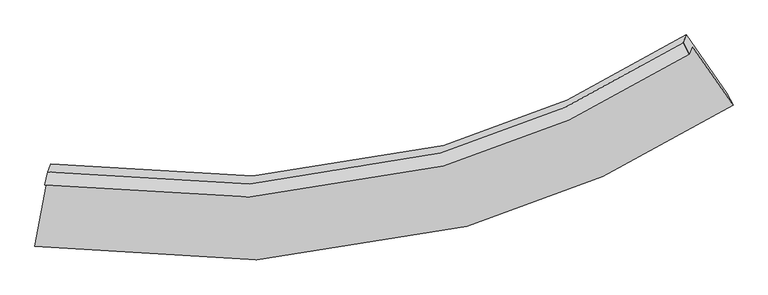
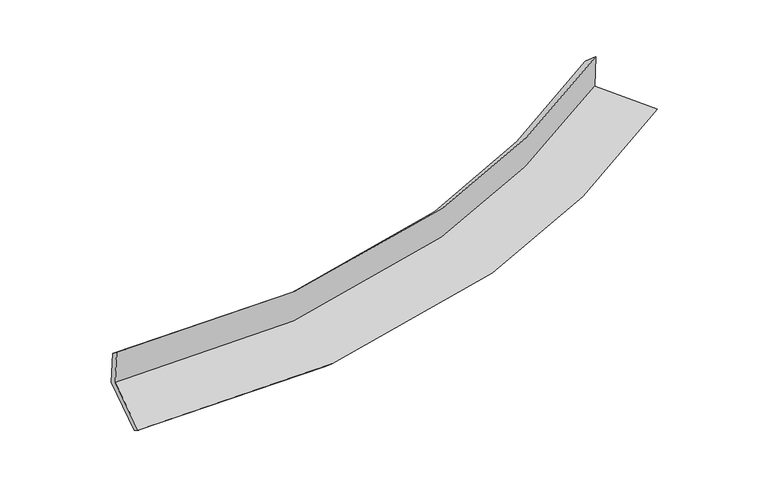
"""IFC4 building model written with IfcOpenShell, lengths in millimetres: proxy geometry."""

from ifc_helpers import new_model, si_unit, frame, origin, place, context, project, spatial, source, transform, mapped, element, save
from ifc_brep_helpers import plane_surface, spline_curve, spline_surface, advanced_brep


def generic_models_e694cbf3(model_context):
    return source(origin(), model_context, "Body", "AdvancedBrep", [
        advanced_brep(
        [(-3283.0325066, -2019.3674715, 2009.4532745), (-3255.5569939, -1946.0840957, 1608.6074235), (2706.9963767, -734.3291709, 2230.4804227), (2679.8558698, -806.7190107, 2626.4388048), (-3255.90302, -1895.9669715, 1912.2842714), (2624.8282462, -696.8861093, 2527.1173291), (-3229.5218231, -1825.6023822, 1527.4036164), (2651.1926397, -626.5663388, 2142.4818239), (-3349.905194, -2468.3638513, 1401.6412442), (3028.4122946, -1165.1630119, 2069.8706721), (-3375.577942, -2586.9104851, 1483.2236679), (3085.9017288, -1275.3326936, 2157.5447903)],
        [
            (0, 1),
            (1, 2, spline_curve(3, [(-3255.5569939, -1946.0840957, 1608.6074235), (-1959.624624609, -2154.191560967, 1669.790769414), (-731.587954884, -2095.765960624, 1767.878662066), (1219.600601758, -1549.232697861, 1994.916330331), (1979.081721775, -1203.739989809, 2104.119438015), (2706.9963767, -734.3291709, 2230.4804227)], [4, 2, 4], [0.0, 12.149283597557895, 20.433329845119278])),
            (2, 3),
            (3, 0, spline_curve(3, [(2679.8558698, -806.7190107, 2626.4388048), (1952.183374115, -1275.483937158, 2496.544912695), (1192.827882662, -1620.641564002, 2385.508977854), (-758.338230011, -2167.114965283, 2158.143876376), (-1986.612197781, -2226.173491739, 2063.517967592), (-3283.0325066, -2019.3674715, 2009.4532745)], [4, 2, 4], [0.0, 8.284046247561383, 20.433329845119278])),
            (4, 0),
            (3, 5),
            (5, 4, spline_curve(3, [(2624.8282462, -696.8861093, 2527.1173291), (1908.826610814, -1161.404441634, 2390.478234403), (1160.911623781, -1503.2937801, 2275.549655466), (-762.603672829, -2044.118735349, 2045.619090953), (-1974.932441111, -2101.923017561, 1955.60331713), (-3255.90302, -1895.9669715, 1912.2842714)], [4, 2, 4], [0.0, 8.22930374644107, 20.29830264361525])),
            (6, 4),
            (5, 7),
            (7, 6, spline_curve(3, [(2651.1926397, -626.5663388, 2142.4818239), (1935.198924417, -1091.063546959, 2005.727184541), (1187.289566725, -1432.93786992, 1890.716473476), (-736.217492823, -1973.74085522, 1660.665738001), (-1948.546289666, -2031.545213424, 1570.650379861), (-3229.5218231, -1825.6023822, 1527.4036164)], [4, 2, 4], [0.0, 8.17463591864641, 20.163459630447225])),
            (8, 6),
            (7, 9),
            (9, 8, spline_curve(3, [(3028.4122946, -1165.1630119, 2069.8706721), (2254.747024017, -1672.580087286, 1921.316313821), (1445.284539527, -2045.680758224, 1796.377656884), (-639.622969767, -2634.663187464, 1546.455660983), (-1956.266314501, -2695.962795952, 1448.651175203), (-3349.905194, -2468.3638513, 1401.6412442)], [4, 2, 4], [0.0, 8.522694335690689, 21.02197637797618])),
            (10, 8),
            (9, 11),
            (11, 10, spline_curve(3, [(3085.9017288, -1275.3326936, 2157.5447903), (2299.520880865, -1786.807597322, 2019.486075022), (1477.941657044, -2162.779935207, 1900.454183081), (-635.375770754, -2755.919811793, 1653.78287305), (-1967.62310354, -2817.140071085, 1548.041057214), (-3375.577942, -2586.9104851, 1483.2236679)], [4, 2, 4], [0.0, 8.92545589621254, 22.015423247916168])),
            (1, 10),
            (11, 2),
        ],
        [
            spline_surface(3, 3, [[(-3283.0325066, -2019.3674715, 2009.4532745), (-1986.612197687, -2226.173491601, 2063.517967724), (-758.338230147, -2167.11496509, 2158.143876379), (1192.827882755, -1620.641564134, 2385.508977852), (1952.183373982, -1275.483937027, 2496.544912639), (2679.8558698, -806.7190107, 2626.4388048)], [(-3273.874002353, -1994.93967957, 1875.837990831), (-1977.616340035, -2202.179514743, 1932.275568352), (-749.42147171, -2143.331963637, 2028.055471552), (1201.752122362, -1596.838608718, 2255.311428719), (1961.149489929, -1251.569287989, 2365.736421057), (2688.902705423, -782.589064119, 2494.45267742)], [(-3264.715498147, -1970.51188763, 1742.222707169), (-1968.620482423, -2178.185537875, 1801.033168986), (-740.504713184, -2119.548962125, 1897.96706672), (1210.676362057, -1573.035653243, 2125.113879581), (1970.115605906, -1227.654638893, 2234.927929515), (2697.949541077, -758.459117481, 2362.46655008)], [(-3255.5569939, -1946.0840957, 1608.6074235), (-1959.624624771, -2154.191561017, 1669.790769613), (-731.587954747, -2095.765960672, 1767.878661893), (1219.600601664, -1549.232697828, 1994.916330448), (1979.081721853, -1203.739989855, 2104.119437933), (2706.9963767, -734.3291709, 2230.4804227)]], [4, 4], [4, 2, 4], [0.0, 1.3058432659288104], [0.0, 12.149283597557895, 20.433329845119278]),
            spline_surface(3, 3, [[(-3255.90302, -1895.9669715, 1912.2842714), (-1974.932441071, -2101.923017704, 1955.603317155), (-762.603672846, -2044.118735435, 2045.619090806), (1160.911623792, -1503.293780042, 2275.549655566), (1908.826610912, -1161.40444158, 2390.478234473), (2624.8282462, -696.8861093, 2527.1173291)], [(-3264.946182202, -1937.100471487, 1944.673939108), (-1978.825693278, -2143.339842323, 1991.574867352), (-761.181858589, -2085.117478661, 2083.12735267), (1171.550376804, -1542.409708081, 2312.202763), (1923.278865256, -1199.430940059, 2425.833793861), (2643.170787387, -733.49707643, 2560.224487666)], [(-3273.989344398, -1978.233971513, 1977.063606792), (-1982.71894548, -2184.756666982, 2027.546417527), (-759.760044405, -2126.116221864, 2120.635614516), (1182.189129743, -1581.525636095, 2348.855870417), (1937.731119638, -1237.457438547, 2461.189353252), (2661.513328613, -770.10804357, 2593.331646234)], [(-3283.0325066, -2019.3674715, 2009.4532745), (-1986.612197687, -2226.173491601, 2063.517967724), (-758.338230147, -2167.11496509, 2158.143876379), (1192.827882755, -1620.641564134, 2385.508977852), (1952.183373982, -1275.483937027, 2496.544912639), (2679.8558698, -806.7190107, 2626.4388048)]], [4, 4], [4, 2, 4], [0.0, 0.5411501012126246], [0.0, 12.06899889717418, 20.29830264361525]),
            spline_surface(3, 3, [[(-3229.5218231, -1825.6023822, 1527.4036164), (-1948.546289663, -2031.545213617, 1570.650379832), (-736.217492901, -1973.740855381, 1660.665738029), (1187.289566778, -1432.937869811, 1890.716473457), (1935.1989243, -1091.063546957, 2005.727184417), (2651.1926397, -626.5663388, 2142.4818239)], [(-3238.315555414, -1849.057245294, 1655.697168052), (-1957.34167348, -2055.00448164, 1698.968025591), (-745.012886212, -1997.200148726, 1788.983522295), (1178.496919121, -1456.389839881, 2018.994200834), (1926.408153193, -1114.510511846, 2133.97753442), (2642.404508556, -650.006262315, 2270.693658951)], [(-3247.109287686, -1872.512108406, 1783.990719748), (-1966.137057255, -2078.463749681, 1827.285671396), (-753.808279536, -2020.65944209, 1917.30130654), (1169.70427145, -1479.841809971, 2147.271928189), (1917.617382019, -1137.957476691, 2262.22788447), (2633.616377344, -673.446185785, 2398.905494049)], [(-3255.90302, -1895.9669715, 1912.2842714), (-1974.932441071, -2101.923017704, 1955.603317155), (-762.603672846, -2044.118735435, 2045.619090806), (1160.911623792, -1503.293780042, 2275.549655566), (1908.826610912, -1161.40444158, 2390.478234473), (2624.8282462, -696.8861093, 2527.1173291)]], [4, 4], [4, 2, 4], [0.0, 1.2866755838010548], [0.0, 11.988823711800814, 20.163459630447225]),
            spline_surface(3, 3, [[(-3349.905194, -2468.3638513, 1401.6412442), (-1956.266314506, -2695.962796064, 1448.651175203), (-639.622969611, -2634.6631873, 1546.455660919), (1445.284539421, -2045.680758335, 1796.377656927), (2254.747024039, -1672.580087292, 1921.316313857), (3028.4122946, -1165.1630119, 2069.8706721)], [(-3309.777403687, -2254.110028263, 1443.562034947), (-1953.692972879, -2474.490268578, 1489.31757676), (-671.821144061, -2414.355743326, 1584.525686629), (1359.286215187, -1841.433128826, 1827.823929111), (2148.230990788, -1478.741240486, 1949.453270735), (2902.672409628, -985.630787505, 2094.074389392)], [(-3269.649613413, -2039.856205237, 1485.482825653), (-1951.119631291, -2253.017741103, 1529.983978275), (-704.019318451, -2194.048299354, 1622.595712318), (1273.287891013, -1637.185499319, 1859.270201273), (2041.714957551, -1284.902393764, 1977.590227539), (2776.932524672, -806.098563195, 2118.278106608)], [(-3229.5218231, -1825.6023822, 1527.4036164), (-1948.546289663, -2031.545213617, 1570.650379832), (-736.217492901, -1973.740855381, 1660.665738029), (1187.289566778, -1432.937869811, 1890.716473457), (1935.1989243, -1091.063546957, 2005.727184417), (2651.1926397, -626.5663388, 2142.4818239)]], [4, 4], [4, 2, 4], [0.0, 2.1953281231414894], [0.0, 12.499282042285492, 21.02197637797618]),
            spline_surface(3, 3, [[(-3375.577942, -2586.9104851, 1483.2236679), (-1967.623103481, -2817.140071134, 1548.041057113), (-635.375770563, -2755.919811804, 1653.782872862), (1477.941656914, -2162.779935199, 1900.45418321), (2299.520880889, -1786.807597366, 2019.486074959), (3085.9017288, -1275.3326936, 2157.5447903)], [(-3367.020359333, -2547.394940512, 1456.029526651), (-1963.837507156, -2776.747646122, 1514.91109646), (-636.791503584, -2715.500936948, 1618.007135531), (1467.055951078, -2123.746876223, 1865.762007766), (2284.596261929, -1748.731760691, 1986.762821251), (3066.738584056, -1238.609466383, 2128.320084227)], [(-3358.462776667, -2507.879395888, 1428.835385449), (-1960.051910831, -2736.355221076, 1481.781135856), (-638.207236589, -2675.082062156, 1582.23139825), (1456.170245257, -2084.713817311, 1831.069832371), (2269.671642999, -1710.655923967, 1954.039567564), (3047.575439344, -1201.886239117, 2099.095378173)], [(-3349.905194, -2468.3638513, 1401.6412442), (-1956.266314506, -2695.962796064, 1448.651175203), (-639.622969611, -2634.6631873, 1546.455660919), (1445.284539421, -2045.680758335, 1796.377656927), (2254.747024039, -1672.580087292, 1921.316313857), (3028.4122946, -1165.1630119, 2069.8706721)]], [4, 4], [4, 2, 4], [0.0, 0.5255810718680093], [0.0, 13.089967351703628, 22.015423247916168]),
            spline_surface(3, 3, [[(-3255.5569939, -1946.0840957, 1608.6074235), (-1959.624624771, -2154.191561017, 1669.790769613), (-731.587954747, -2095.765960672, 1767.878661893), (1219.600601664, -1549.232697828, 1994.916330448), (1979.081721853, -1203.739989855, 2104.119437933), (2706.9963767, -734.3291709, 2230.4804227)], [(-3295.563976611, -2159.692892174, 1566.812838312), (-1962.290784352, -2375.17439773, 1629.207532125), (-699.517226659, -2315.817244383, 1729.846732211), (1305.714286773, -1753.748443619, 1963.42894803), (2085.894774881, -1398.095859006, 2075.908316954), (2833.298160749, -914.663678447, 2206.168545246)], [(-3335.570959289, -2373.301688626, 1525.018253088), (-1964.956943901, -2596.157234421, 1588.624294601), (-667.44649865, -2535.868528093, 1691.814802544), (1391.827971805, -1958.264189408, 1931.941565628), (2192.707827861, -1592.451728215, 2047.697195938), (2959.599944751, -1094.998186053, 2181.856667754)], [(-3375.577942, -2586.9104851, 1483.2236679), (-1967.623103481, -2817.140071134, 1548.041057113), (-635.375770563, -2755.919811804, 1653.782872862), (1477.941656914, -2162.779935199, 1900.45418321), (2299.520880889, -1786.807597366, 2019.486074959), (3085.9017288, -1275.3326936, 2157.5447903)]], [4, 4], [4, 2, 4], [0.0, 2.1943978707674963], [0.0, 12.659831864793984, 21.291997853197223]),
            plane_surface(frame((2796.1978593, -884.1660559, 2292.3223071), z_axis=(0.8187449754786043, 0.552251243445329, 0.1570835104064964), x_axis=(-0.5702025409195106, 0.8141388911731376, 0.1097584994809412))),
            plane_surface(frame((-3291.5829133, -2123.7158762, 1657.1022497), z_axis=(-0.981220589821284, 0.1901319034143303, -0.032496360024092494), x_axis=(-0.06727352716684269, -0.17943363673647625, 0.9814671887282093))),
        ],
        [
            (0, [[1, 2, 3, 4]]),
            (1, [[5, -4, 6, 7]]),
            (2, [[8, -7, 9, 10]]),
            (3, [[11, -10, 12, 13]]),
            (4, [[14, -13, 15, 16]]),
            (5, [[17, -16, 18, -2]]),
            (6, [[-12, -9, -6, -3, -18, -15]]),
            (7, [[-1, -5, -8, -11, -14, -17]]),
        ],
    ),
    ])


if __name__ == "__main__":
    model = new_model("IFC4")
    model_context = context("Model", 3, world=origin())
    ifc_project = project(units=[si_unit("LENGTHUNIT", "METRE", prefix="MILLI")], contexts=[model_context])
    site = spatial("IfcSite", under=ifc_project)
    building = spatial("IfcBuilding", under=site)
    placement = place(None, origin())
    generic_models_shape = generic_models_e694cbf3(model_context)
    element("IfcBuildingElementProxy", 1, Name="Generic Models", at=placement, inside=building, context=model_context, shape_type="MappedRepresentation", body=[
        mapped(generic_models_shape, transform((0.0, 0.0, 0.0), x_axis=(1.0, 0.0, 0.0), y_axis=(0.0, 1.0, 0.0), z_axis=(0.0, 0.0, 1.0))),
    ])
    save(model, "model.ifc")
